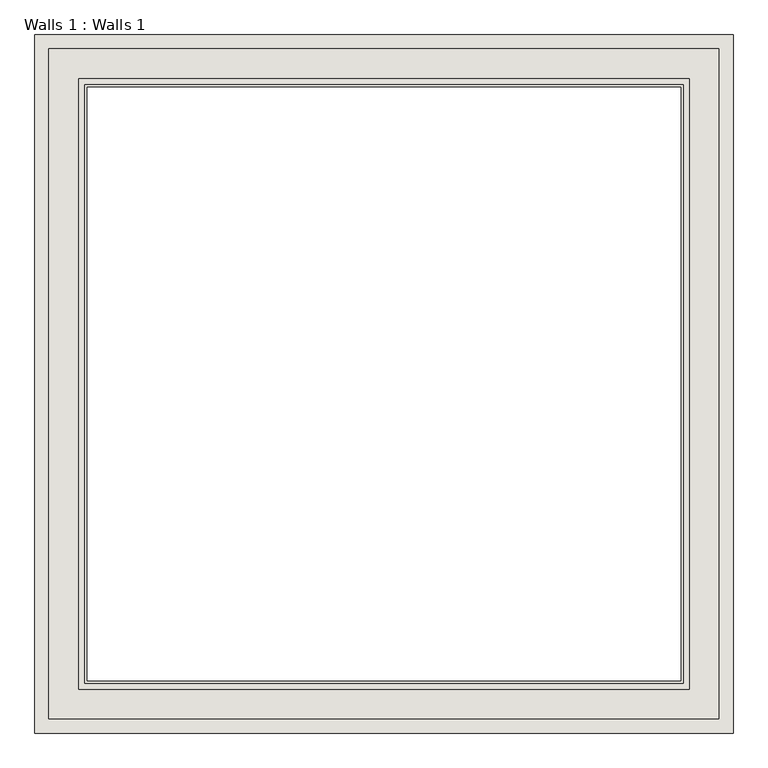
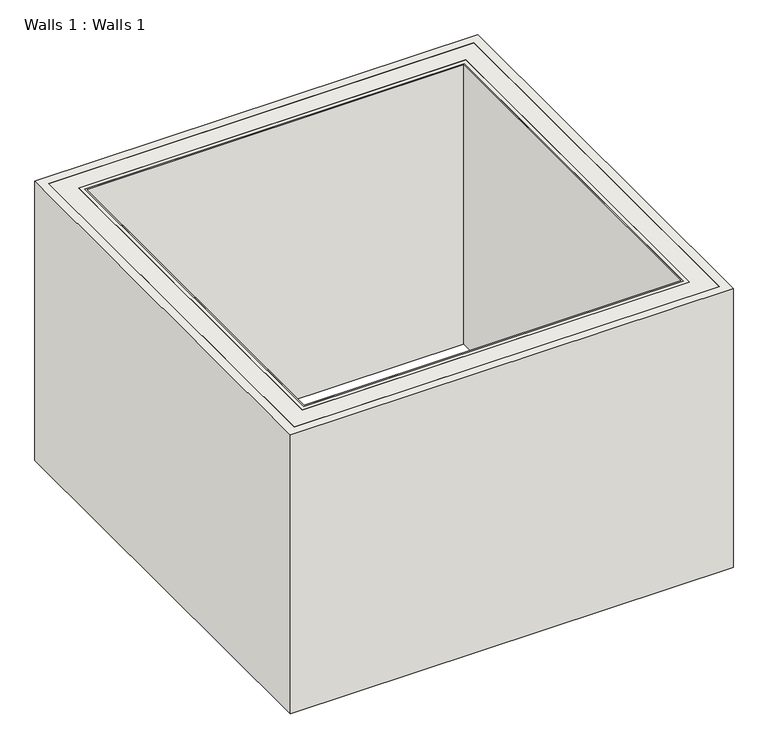
"""IFC4 building model written with IfcOpenShell, lengths in millimetres: wall geometry, Walls 1 : Walls 1."""

from ifc_helpers import new_model, si_unit, origin, origin_with_axes, place, context, project, spatial, polyline, outline, extrude, faceted_brep, source, transform, mapped, element, save


def walls_1_walls_1_8e063d9c(model_context):
    return source(origin(), model_context, "Body", "SolidModel", [
        faceted_brep([(6022.370625, 10025.2963995, 3048.0), (1450.370625, 10025.2963995, 3048.0), (1450.370625, 5453.2963995, 3048.0), (6022.370625, 5453.2963995, 3048.0), (5930.295625, 9933.2213995, 3048.0), (5930.295625, 5545.3713995, 3048.0), (1542.445625, 5545.3713995, 3048.0), (1542.445625, 9933.2213995, 3048.0), (6022.370625, 10025.2963995, 0.0), (6022.370625, 5453.2963995, 0.0), (1450.370625, 5453.2963995, 0.0), (1450.370625, 10025.2963995, 0.0), (5930.295625, 9933.2213995, 0.0), (1542.445625, 9933.2213995, 0.0), (1542.445625, 5545.3713995, 0.0), (5930.295625, 5545.3713995, 0.0), (3825.270625, 10025.2963995, 2133.6), (3825.270625, 10025.2963995, 914.4), (4739.670625, 10025.2963995, 914.4), (4739.670625, 10025.2963995, 2133.6), (3825.270625, 9933.2213995, 914.4), (3825.270625, 9933.2213995, 2133.6), (4739.670625, 9933.2213995, 2133.6), (4739.670625, 9933.2213995, 914.4)], [[[0, 1, 2, 3], [4, 5, 6, 7]], [[8, 9, 10, 11], [12, 13, 14, 15]], [[1, 0, 8, 11], [16, 17, 18, 19]], [[2, 1, 11, 10]], [[3, 2, 10, 9]], [[0, 3, 9, 8]], [[5, 4, 12, 15]], [[6, 5, 15, 14]], [[7, 6, 14, 13]], [[4, 7, 13, 12], [20, 21, 22, 23]], [[16, 21, 20, 17]], [[17, 20, 23, 18]], [[18, 23, 22, 19]], [[21, 16, 19, 22]]]),
        faceted_brep([(5930.295625, 9933.2213995, 3048.0), (1542.445625, 9933.2213995, 3048.0), (1542.445625, 5545.3713995, 3048.0), (5930.295625, 5545.3713995, 3048.0), (5736.620625, 9739.5463995, 3048.0), (5736.620625, 5739.0463995, 3048.0), (1736.120625, 5739.0463995, 3048.0), (1736.120625, 9739.5463995, 3048.0), (5930.295625, 9933.2213995, 0.0), (5930.295625, 5545.3713995, 0.0), (1542.445625, 5545.3713995, 0.0), (1542.445625, 9933.2213995, 0.0), (5736.620625, 9739.5463995, 0.0), (1736.120625, 9739.5463995, 0.0), (1736.120625, 5739.0463995, 0.0), (5736.620625, 5739.0463995, 0.0), (2298.7136264, 9933.2213995, 2133.6), (2298.7136264, 9933.2213995, 914.4), (3213.1136264, 9933.2213995, 914.4), (3213.1136264, 9933.2213995, 2133.6), (5930.295625, 7472.5963995, 2133.6), (5930.295625, 7472.5963995, 914.4), (5930.295625, 6558.1963995, 914.4), (5930.295625, 6558.1963995, 2133.6), (5930.295625, 9047.3963995, 2133.6), (5930.295625, 9047.3963995, 914.4), (5930.295625, 8132.9963995, 914.4), (5930.295625, 8132.9963995, 2133.6), (5736.620625, 7472.5963995, 914.4), (5736.620625, 7472.5963995, 2133.6), (5736.620625, 6558.1963995, 2133.6), (5736.620625, 6558.1963995, 914.4), (5736.620625, 9047.3963995, 914.4), (5736.620625, 9047.3963995, 2133.6), (5736.620625, 8132.9963995, 2133.6), (5736.620625, 8132.9963995, 914.4), (2298.7136264, 9739.5463995, 914.4), (2298.7136264, 9739.5463995, 2133.6), (3213.1136264, 9739.5463995, 2133.6), (3213.1136264, 9739.5463995, 914.4)], [[[0, 1, 2, 3], [4, 5, 6, 7]], [[8, 9, 10, 11], [12, 13, 14, 15]], [[1, 0, 8, 11], [16, 17, 18, 19]], [[2, 1, 11, 10]], [[3, 2, 10, 9]], [[0, 3, 9, 8], [20, 21, 22, 23], [24, 25, 26, 27]], [[5, 4, 12, 15], [28, 29, 30, 31], [32, 33, 34, 35]], [[6, 5, 15, 14]], [[7, 6, 14, 13]], [[4, 7, 13, 12], [36, 37, 38, 39]], [[16, 37, 36, 17]], [[17, 36, 39, 18]], [[18, 39, 38, 19]], [[37, 16, 19, 38]], [[20, 29, 28, 21]], [[21, 28, 31, 22]], [[22, 31, 30, 23]], [[29, 20, 23, 30]], [[24, 33, 32, 25]], [[25, 32, 35, 26]], [[26, 35, 34, 27]], [[33, 24, 27, 34]]]),
        extrude(outline(polyline([(5736.620625, 9739.5463995), (5736.620625, 5739.0463995), (1736.120625, 5739.0463995), (1736.120625, 9739.5463995), (5736.620625, 9739.5463995)]), holes=[polyline([(5695.345625, 9698.2713995), (1777.395625, 9698.2713995), (1777.395625, 5780.3213995), (5695.345625, 5780.3213995), (5695.345625, 9698.2713995)])]), origin_with_axes(), (0.0, 0.0, 1.0), 3048.0),
        extrude(outline(polyline([(5695.345625, 9698.2713995), (5695.345625, 5780.3213995), (1777.395625, 5780.3213995), (1777.395625, 9698.2713995), (5695.345625, 9698.2713995)]), holes=[polyline([(5679.470625, 9682.3963995), (1793.270625, 9682.3963995), (1793.270625, 5796.1963995), (5679.470625, 5796.1963995), (5679.470625, 9682.3963995)])]), origin_with_axes(), (0.0, 0.0, 1.0), 3048.0),
    ])


if __name__ == "__main__":
    model = new_model("IFC4")
    model_context = context("Model", 3, world=origin())
    ifc_project = project(units=[si_unit("LENGTHUNIT", "METRE", prefix="MILLI")], contexts=[model_context])
    site = spatial("IfcSite", under=ifc_project)
    building = spatial("IfcBuilding", under=site)
    placement = place(None, origin())
    walls_1_walls_1_shape = walls_1_walls_1_8e063d9c(model_context)
    element("IfcWall", 1, ObjectType="Walls 1 : Walls 1", at=placement, inside=building, context=model_context, shape_type="MappedRepresentation", body=[
        mapped(walls_1_walls_1_shape, transform((0.0, 0.0, 0.0), x_axis=(1.0, 0.0, 0.0), y_axis=(0.0, 1.0, 0.0), z_axis=(0.0, 0.0, 1.0))),
    ])
    save(model, "model.ifc")
